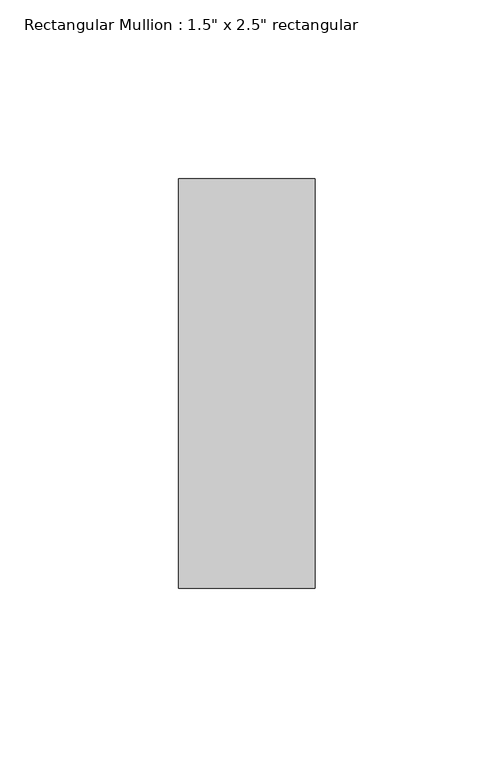
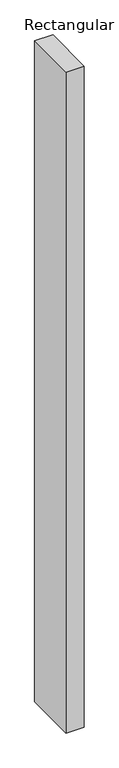
"""IFC4 building model written with IfcOpenShell, lengths in millimetres: member geometry."""

from ifc_helpers import new_model, si_unit, frame, origin, place, context, project, spatial, polyline, outline, extrude, source, transform, mapped, element, save


def member_bd158924(model_context):
    return source(origin(), model_context, "Body", "SweptSolid", [
        extrude(outline(polyline([(19.05, 57.15), (19.05, -57.15), (-19.05, -57.15), (-19.05, 57.15), (19.05, 57.15)])), frame((0.0, 0.0, -1466.85), z_axis=(0.0, 0.0, 1.0), x_axis=(1.0, 0.0, 0.0)), (0.0, 0.0, 1.0), 1466.85),
    ])


if __name__ == "__main__":
    model = new_model("IFC4")
    model_context = context("Model", 3, world=origin())
    ifc_project = project(units=[si_unit("LENGTHUNIT", "METRE", prefix="MILLI")], contexts=[model_context])
    site = spatial("IfcSite", under=ifc_project)
    building = spatial("IfcBuilding", under=site)
    placement = place(None, origin())
    member_shape = member_bd158924(model_context)
    element("IfcMember", 1, ObjectType="Rectangular Mullion : 1.5\" x 2.5\" rectangular", at=placement, inside=building, context=model_context, shape_type="MappedRepresentation", body=[
        mapped(member_shape, transform((0.0, 0.0, 0.0), x_axis=(1.0, 0.0, 0.0), y_axis=(0.0, 1.0, 0.0), z_axis=(0.0, 0.0, 1.0))),
    ])
    save(model, "model.ifc")
